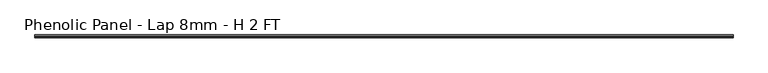
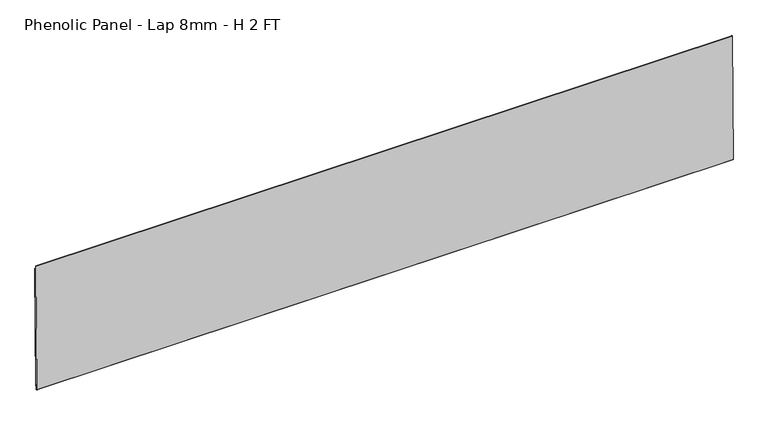
"""IFC4 building model written with IfcOpenShell, lengths in millimetres: proxy geometry, Phenolic Panel - Lap 8mm - H 2 FT."""

from ifc_helpers import new_model, si_unit, frame, origin, place, context, project, spatial, polyline, outline, extrude, source, transform, mapped, element, save


def phenolic_panel_lap_8mm_h_2_ft_c2f9b340(model_context):
    return source(origin(), model_context, "Body", "SweptSolid", [
        extrude(outline(polyline([(2.7732555, 593.6735917), (-2.407893, 53.9484596), (-4.7890333, 53.9713176), (-4.71284, 61.9084519), (-7.2924086, 61.9332147), (-7.5209887, 38.1218118), (-9.4914294, 38.1407273), (-10.487757, 39.156369), (-5.0211492, 608.618069), (-4.0055075, 609.6143966), (-2.6240021, 609.6011347), (-2.7763888, 593.7268661), (2.7732555, 593.6735917)])), frame((-1835.15, 0.0, 0.0), z_axis=(1.0, 0.0, 0.0), x_axis=(0.0, 1.0, 0.0)), (0.0, 0.0, 1.0), 3054.35),
    ])


if __name__ == "__main__":
    model = new_model("IFC4")
    model_context = context("Model", 3, world=origin())
    ifc_project = project(units=[si_unit("LENGTHUNIT", "METRE", prefix="MILLI")], contexts=[model_context])
    site = spatial("IfcSite", under=ifc_project)
    building = spatial("IfcBuilding", under=site)
    placement = place(None, origin())
    phenolic_panel_lap_8mm_h_2_ft_shape = phenolic_panel_lap_8mm_h_2_ft_c2f9b340(model_context)
    element("IfcBuildingElementProxy", 1, Name="Phenolic Panel - Lap 8mm - H 2 FT", ObjectType="Phenolic Panel - Lap 8mm - H 2 FT", at=placement, inside=building, context=model_context, shape_type="MappedRepresentation", body=[
        mapped(phenolic_panel_lap_8mm_h_2_ft_shape, transform((0.0, 0.0, 0.0), x_axis=(1.0, 0.0, 0.0), y_axis=(0.0, 1.0, 0.0), z_axis=(0.0, 0.0, 1.0))),
    ])
    save(model, "model.ifc")
